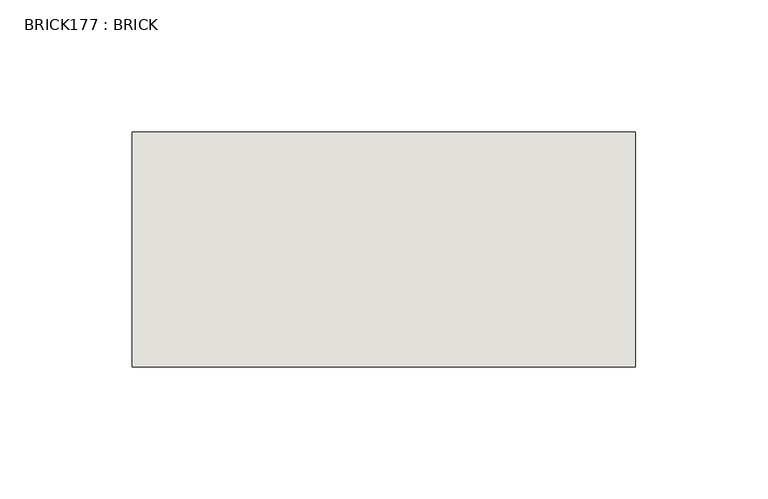
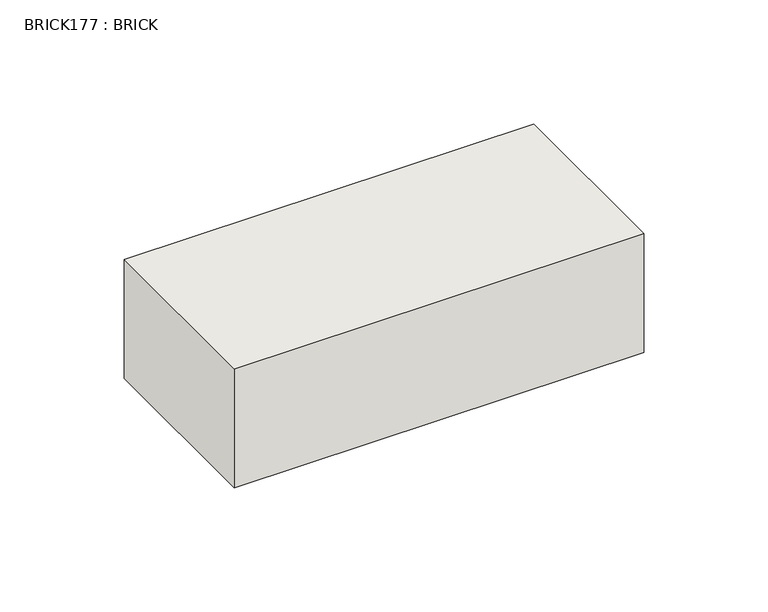
"""IFC4 building model written with IfcOpenShell, lengths in millimetres: wall geometry, BRICK177 : BRICK."""

import ifcopenshell
import ifcopenshell.guid

model = None  # the IFC model being written
_history = None  # IfcOwnerHistory: only IFC2X3 demands one
_inside = {}  # id of a spatial element -> (the spatial element, [elements in it])
_under = {}  # id of a project, library or spatial element -> (it, [spatial elements below it])
_declared = {}  # id of a project -> (the project, [libraries it declares])
_typed = {}  # id of a type object -> (the type object, [elements of that type])
_made_of = {}  # id of a material, layer set ... -> (it, [elements and type objects made of it])


def new_model(schema):
    """Start an empty IFC model of exactly this schema.

    Asked for "IFC4X3", IfcOpenShell would pick the latest addendum, in which some entities
    have other attributes; the version numbers below select the first issue.
    IFC2X3 requires an IfcOwnerHistory on every rooted entity: one is made here for all.
    """
    global model, _history
    if schema == "IFC4X3":
        model = ifcopenshell.file(schema_version=(4, 3, 0, 0))
    else:
        model = ifcopenshell.file(schema=schema)
    _inside.clear()
    _under.clear()
    _declared.clear()
    _typed.clear()
    _made_of.clear()
    _history = None
    if model.schema == "IFC2X3":
        org = make("IfcOrganization", Name="unknown")
        user = make(
            "IfcPersonAndOrganization",
            ThePerson=make("IfcPerson", FamilyName="unknown"),
            TheOrganization=org,
        )
        app = make(
            "IfcApplication",
            ApplicationDeveloper=org,
            Version="unknown",
            ApplicationFullName="unknown",
            ApplicationIdentifier="unknown",
        )
        _history = make(
            "IfcOwnerHistory",
            OwningUser=user,
            OwningApplication=app,
            ChangeAction="ADDED",
            CreationDate=0,
        )
    return model


def make(cls, **values):
    """One entity of the class cls with the attributes given. An attribute that is None is left unset."""
    return model.create_entity(
        cls, **{name: value for name, value in values.items() if value is not None}
    )


def rooted(cls, **values):
    """An entity with a GlobalId (a new one), such as an element, a storey or a relation."""
    return make(cls, GlobalId=ifcopenshell.guid.new(), OwnerHistory=_history, **values)


def si_unit(unit_type, name, prefix=None):
    """IfcSIUnit, for example si_unit("LENGTHUNIT", "METRE", prefix="MILLI")."""
    return make("IfcSIUnit", UnitType=unit_type, Prefix=prefix, Name=name)


def assignment(units):
    """IfcUnitAssignment: the units of a project."""
    return None if units is None else make("IfcUnitAssignment", Units=units)


def point(xyz):
    """IfcCartesianPoint."""
    return None if xyz is None else make("IfcCartesianPoint", Coordinates=xyz)


def direction(xyz):
    """IfcDirection."""
    return None if xyz is None else make("IfcDirection", DirectionRatios=xyz)


def frame(location, z_axis=None, x_axis=None):
    """IfcAxis2Placement3D, a coordinate frame: its origin and axes. An axis left out is left unset."""
    return make(
        "IfcAxis2Placement3D",
        Location=point(location),
        Axis=direction(z_axis),
        RefDirection=direction(x_axis),
    )


def origin():
    """The frame at (0, 0, 0) with its axes left unset."""
    return frame((0.0, 0.0, 0.0))


def place(relative_to, where):
    """IfcLocalPlacement: puts the frame where relative to a parent placement (None: the world)."""
    return make(
        "IfcLocalPlacement", PlacementRelTo=relative_to, RelativePlacement=where
    )


def context(
    kind, dimensions, precision=None, world=None, true_north=None, identifier=None
):
    """IfcGeometricRepresentationContext, for example the 3D "Model" context."""
    return make(
        "IfcGeometricRepresentationContext",
        ContextIdentifier=identifier,
        ContextType=kind,
        CoordinateSpaceDimension=dimensions,
        Precision=precision,
        WorldCoordinateSystem=world,
        TrueNorth=true_north,
    )


def project(units=None, contexts=None):
    """IfcProject with its units and contexts."""
    return rooted(
        "IfcProject",
        Name="project",
        RepresentationContexts=contexts,
        UnitsInContext=assignment(units),
    )


def spatial(cls, under=None, at=None, **own):
    """A site, building, storey or space (cls), placed at a placement, below another one or the project."""
    s = rooted(cls, ObjectPlacement=at, **own)
    if under is not None:
        _under.setdefault(under.id(), (under, []))[1].append(s)
    return s


def polyline(points):
    """IfcPolyline through the points."""
    return make("IfcPolyline", Points=[point(p) for p in points])


def outline(outer, holes=None, kind="AREA"):
    """IfcArbitraryClosedProfileDef: a profile drawn as a closed curve; with holes, ...WithVoids."""
    if holes is None:
        return make("IfcArbitraryClosedProfileDef", ProfileType=kind, OuterCurve=outer)
    return make(
        "IfcArbitraryProfileDefWithVoids",
        ProfileType=kind,
        OuterCurve=outer,
        InnerCurves=holes,
    )


def extrude(swept, where, along, depth):
    """IfcExtrudedAreaSolid: the profile swept, set in the frame where, extruded along a direction by depth."""
    return make(
        "IfcExtrudedAreaSolid",
        SweptArea=swept,
        Position=where,
        ExtrudedDirection=direction(along),
        Depth=depth,
    )


def shape(context_of_items, identifier, shape_type, items):
    """IfcShapeRepresentation: the items that make up one representation, for example the "Body"."""
    return make(
        "IfcShapeRepresentation",
        ContextOfItems=context_of_items,
        RepresentationIdentifier=identifier,
        RepresentationType=shape_type,
        Items=items,
    )


def source(mapping_origin, context_of_items, identifier, shape_type, items):
    """IfcRepresentationMap: a shape defined once, which mapped items show again and again."""
    return make(
        "IfcRepresentationMap",
        MappingOrigin=mapping_origin,
        MappedRepresentation=shape(context_of_items, identifier, shape_type, items),
    )


def transform(
    local_origin,
    x_axis=None,
    y_axis=None,
    z_axis=None,
    scale=None,
    scale2=None,
    scale3=None,
    uniform=True,
):
    """IfcCartesianTransformationOperator3D, or its non-uniform kind. x_axis, y_axis, z_axis: its Axis1, 2, 3."""
    if uniform:
        return make(
            "IfcCartesianTransformationOperator3D",
            Axis1=direction(x_axis),
            Axis2=direction(y_axis),
            LocalOrigin=point(local_origin),
            Scale=scale,
            Axis3=direction(z_axis),
        )
    return make(
        "IfcCartesianTransformationOperator3DnonUniform",
        Axis1=direction(x_axis),
        Axis2=direction(y_axis),
        LocalOrigin=point(local_origin),
        Scale=scale,
        Axis3=direction(z_axis),
        Scale2=scale2,
        Scale3=scale3,
    )


def mapped(mapping_source, mapping_target):
    """IfcMappedItem: shows the shape of a source again, moved by a transform."""
    return make(
        "IfcMappedItem", MappingSource=mapping_source, MappingTarget=mapping_target
    )


def made_of(thing, what):
    """Note that an element or type object is made of a material, layer set ...; save() writes the relation."""
    if what is not None:
        _made_of.setdefault(what.id(), (what, []))[1].append(thing)
    return thing


def element(
    cls,
    number,
    at=None,
    inside=None,
    cuts=None,
    type_object=None,
    material=None,
    context=None,
    identifier="Body",
    shape_type=None,
    held_by="IfcProductDefinitionShape",
    body=None,
    shapes=None,
    **own,
):
    """One element of the class cls, such as IfcWall. Its Tag is "e" and its number.

    at: its placement. inside: the storey or other place that contains it. cuts: it is an
    opening in that element (IfcRelVoidsElement). A single representation is given by context,
    identifier, shape_type and body (its items); several are given by shapes. held_by: the class
    of the entity that holds the representations. save() writes the other relations.
    """
    e = rooted(cls, Tag="e%d" % number, ObjectPlacement=at, **own)
    if body is not None:
        shapes = [shape(context, identifier, shape_type, body)]
    if shapes is not None:
        e.Representation = make(held_by, Representations=shapes)
    if inside is not None:
        _inside.setdefault(inside.id(), (inside, []))[1].append(e)
    if cuts is not None:
        rooted(
            "IfcRelVoidsElement", RelatingBuildingElement=cuts, RelatedOpeningElement=e
        )
    if type_object is not None:
        _typed.setdefault(type_object.id(), (type_object, []))[1].append(e)
    return made_of(e, material)


def aggregate(whole, parts):
    """IfcRelAggregates: a whole, such as a stair, and the parts it consists of."""
    return rooted("IfcRelAggregates", RelatingObject=whole, RelatedObjects=parts)


def save(model, path):
    """Write the relations noted so far, then the file.

    IfcRelAggregates (storeys below a building ...), IfcRelContainedInSpatialStructure (elements
    in a storey), IfcRelDefinesByType, IfcRelAssociatesMaterial and IfcRelDeclares: one each for
    every whole, place, type object, material and project.
    """
    for whole, parts in _under.values():
        aggregate(whole, parts)
    for where, things in _inside.values():
        rooted(
            "IfcRelContainedInSpatialStructure",
            RelatedElements=things,
            RelatingStructure=where,
        )
    for kind, things in _typed.values():
        rooted("IfcRelDefinesByType", RelatedObjects=things, RelatingType=kind)
    for what, things in _made_of.values():
        rooted("IfcRelAssociatesMaterial", RelatedObjects=things, RelatingMaterial=what)
    for by, libraries in _declared.values():
        rooted("IfcRelDeclares", RelatingContext=by, RelatedDefinitions=libraries)
    model.write(path)


def brick177_brick_bea6b683(model_context):
    return source(origin(), model_context, "Body", "SweptSolid", [
        extrude(outline(polyline([(-159.1316239, 3062.3923312), (31.3683761, 3062.3923312), (31.3683761, 2973.4923312), (-159.1316239, 2973.4923312), (-159.1316239, 3062.3923312)])), frame((0.0, 0.0, 493.4148438), z_axis=(0.0, 0.0, 1.0), x_axis=(1.0, 0.0, 0.0)), (0.0, 0.0, 1.0), 58.4398438),
    ])


if __name__ == "__main__":
    model = new_model("IFC4")
    model_context = context("Model", 3, world=origin())
    ifc_project = project(units=[si_unit("LENGTHUNIT", "METRE", prefix="MILLI")], contexts=[model_context])
    site = spatial("IfcSite", under=ifc_project)
    building = spatial("IfcBuilding", under=site)
    placement = place(None, origin())
    brick177_brick_shape = brick177_brick_bea6b683(model_context)
    element("IfcWall", 1, ObjectType="BRICK177 : BRICK", at=placement, inside=building, context=model_context, shape_type="MappedRepresentation", body=[
        mapped(brick177_brick_shape, transform((0.0, 0.0, 0.0), x_axis=(1.0, 0.0, 0.0), y_axis=(0.0, 1.0, 0.0), z_axis=(0.0, 0.0, 1.0))),
    ])
    save(model, "model.ifc")
